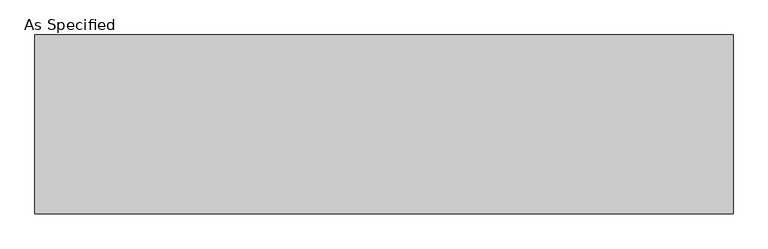
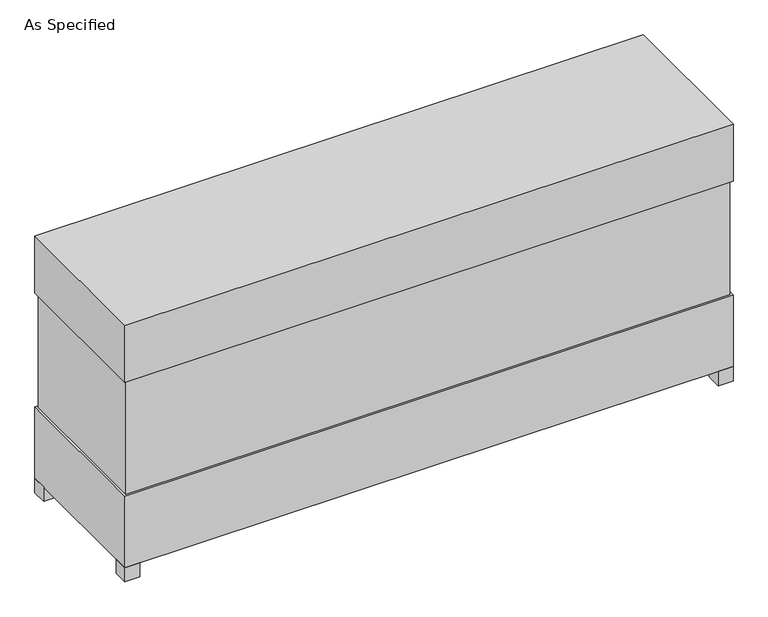
"""IFC4 building model written with IfcOpenShell, lengths in millimetres: proxy geometry, As Specified."""

from ifc_helpers import new_model, si_unit, frame, origin, origin_with_axes, place, context, project, spatial, polyline, outline, extrude, source, transform, mapped, element, save


def as_specified_5106ae6e(model_context):
    return source(origin(), model_context, "Body", "SweptSolid", [
        extrude(outline(polyline([(1525.5875, 382.5875), (1525.5875, -382.5875), (-1525.5875, -382.5875), (-1525.5875, 382.5875), (1525.5875, 382.5875)])), frame((0.0, 0.0, 457.2), z_axis=(0.0, 0.0, 1.0), x_axis=(1.0, 0.0, 0.0)), (0.0, 0.0, 1.0), 609.6),
        extrude(outline(polyline([(1536.7, 393.7), (1536.7, -393.7), (-1536.7, -393.7), (-1536.7, 393.7), (1536.7, 393.7)])), frame((0.0, 0.0, 1066.8), z_axis=(0.0, 0.0, 1.0), x_axis=(1.0, 0.0, 0.0)), (0.0, 0.0, 1.0), 304.8),
        extrude(outline(polyline([(1422.4, 177.8), (1422.4, 101.6), (1346.2, 101.6), (1346.2, 177.8), (1422.4, 177.8)])), frame((0.0, 0.0, 50.8), z_axis=(0.0, 0.0, 1.0), x_axis=(1.0, 0.0, 0.0)), (0.0, 0.0, 1.0), 25.4),
        extrude(outline(polyline([(1422.4, -101.6), (1422.4, -177.8), (1346.2, -177.8), (1346.2, -101.6), (1422.4, -101.6)])), frame((0.0, 0.0, 50.8), z_axis=(0.0, 0.0, 1.0), x_axis=(1.0, 0.0, 0.0)), (0.0, 0.0, 1.0), 25.4),
        extrude(outline(polyline([(-1460.5, 393.7), (-1460.5, 317.5), (-1536.7, 317.5), (-1536.7, 393.7), (-1460.5, 393.7)])), origin_with_axes(), (0.0, 0.0, 1.0), 76.2),
        extrude(outline(polyline([(1536.7, 393.7), (1536.7, 317.5), (1460.5, 317.5), (1460.5, 393.7), (1536.7, 393.7)])), origin_with_axes(), (0.0, 0.0, 1.0), 76.2),
        extrude(outline(polyline([(1536.7, -317.5), (1536.7, -393.7), (1460.5, -393.7), (1460.5, -317.5), (1536.7, -317.5)])), origin_with_axes(), (0.0, 0.0, 1.0), 76.2),
        extrude(outline(polyline([(-1460.5, -317.5), (-1460.5, -393.7), (-1536.7, -393.7), (-1536.7, -317.5), (-1460.5, -317.5)])), origin_with_axes(), (0.0, 0.0, 1.0), 76.2),
        extrude(outline(polyline([(1536.7, 393.7), (1536.7, -393.7), (-1536.7, -393.7), (-1536.7, 393.7), (1536.7, 393.7)])), frame((0.0, 0.0, 76.2), z_axis=(0.0, 0.0, 1.0), x_axis=(1.0, 0.0, 0.0)), (0.0, 0.0, 1.0), 381.0),
    ])


if __name__ == "__main__":
    model = new_model("IFC4")
    model_context = context("Model", 3, world=origin())
    ifc_project = project(units=[si_unit("LENGTHUNIT", "METRE", prefix="MILLI")], contexts=[model_context])
    site = spatial("IfcSite", under=ifc_project)
    building = spatial("IfcBuilding", under=site)
    placement = place(None, origin())
    as_specified_shape = as_specified_5106ae6e(model_context)
    element("IfcBuildingElementProxy", 1, Name="As Specified", ObjectType="As Specified", at=placement, inside=building, context=model_context, shape_type="MappedRepresentation", body=[
        mapped(as_specified_shape, transform((0.0, 0.0, 0.0), x_axis=(1.0, 0.0, 0.0), y_axis=(0.0, 1.0, 0.0), z_axis=(0.0, 0.0, 1.0))),
    ])
    save(model, "model.ifc")
